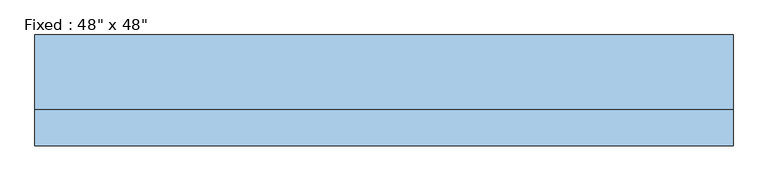
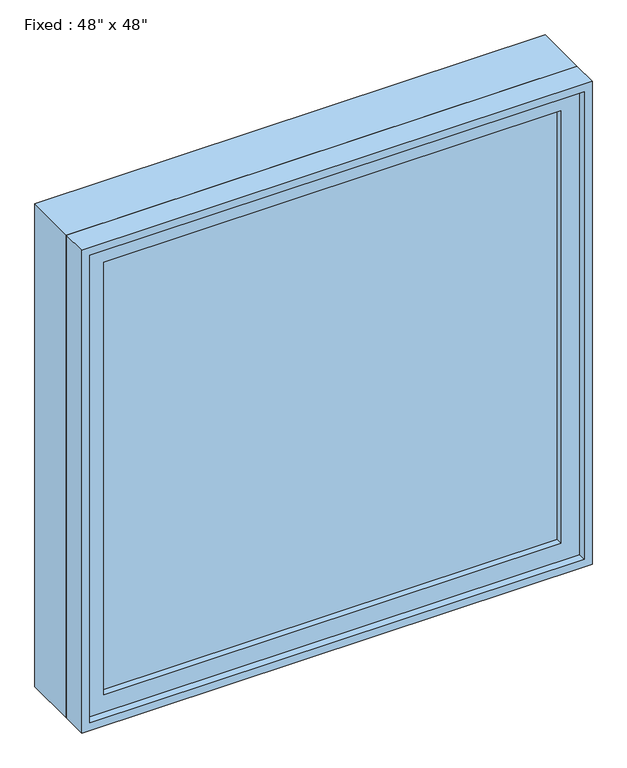
"""IFC4 building model written with IfcOpenShell, lengths in millimetres: window geometry."""

import ifcopenshell
import ifcopenshell.guid

model = None  # the IFC model being written
_history = None  # IfcOwnerHistory: only IFC2X3 demands one
_inside = {}  # id of a spatial element -> (the spatial element, [elements in it])
_under = {}  # id of a project, library or spatial element -> (it, [spatial elements below it])
_declared = {}  # id of a project -> (the project, [libraries it declares])
_typed = {}  # id of a type object -> (the type object, [elements of that type])
_made_of = {}  # id of a material, layer set ... -> (it, [elements and type objects made of it])


def new_model(schema):
    """Start an empty IFC model of exactly this schema.

    Asked for "IFC4X3", IfcOpenShell would pick the latest addendum, in which some entities
    have other attributes; the version numbers below select the first issue.
    IFC2X3 requires an IfcOwnerHistory on every rooted entity: one is made here for all.
    """
    global model, _history
    if schema == "IFC4X3":
        model = ifcopenshell.file(schema_version=(4, 3, 0, 0))
    else:
        model = ifcopenshell.file(schema=schema)
    _inside.clear()
    _under.clear()
    _declared.clear()
    _typed.clear()
    _made_of.clear()
    _history = None
    if model.schema == "IFC2X3":
        org = make("IfcOrganization", Name="unknown")
        user = make(
            "IfcPersonAndOrganization",
            ThePerson=make("IfcPerson", FamilyName="unknown"),
            TheOrganization=org,
        )
        app = make(
            "IfcApplication",
            ApplicationDeveloper=org,
            Version="unknown",
            ApplicationFullName="unknown",
            ApplicationIdentifier="unknown",
        )
        _history = make(
            "IfcOwnerHistory",
            OwningUser=user,
            OwningApplication=app,
            ChangeAction="ADDED",
            CreationDate=0,
        )
    return model


def make(cls, **values):
    """One entity of the class cls with the attributes given. An attribute that is None is left unset."""
    return model.create_entity(
        cls, **{name: value for name, value in values.items() if value is not None}
    )


def rooted(cls, **values):
    """An entity with a GlobalId (a new one), such as an element, a storey or a relation."""
    return make(cls, GlobalId=ifcopenshell.guid.new(), OwnerHistory=_history, **values)


def si_unit(unit_type, name, prefix=None):
    """IfcSIUnit, for example si_unit("LENGTHUNIT", "METRE", prefix="MILLI")."""
    return make("IfcSIUnit", UnitType=unit_type, Prefix=prefix, Name=name)


def assignment(units):
    """IfcUnitAssignment: the units of a project."""
    return None if units is None else make("IfcUnitAssignment", Units=units)


def point(xyz):
    """IfcCartesianPoint."""
    return None if xyz is None else make("IfcCartesianPoint", Coordinates=xyz)


def direction(xyz):
    """IfcDirection."""
    return None if xyz is None else make("IfcDirection", DirectionRatios=xyz)


def frame(location, z_axis=None, x_axis=None):
    """IfcAxis2Placement3D, a coordinate frame: its origin and axes. An axis left out is left unset."""
    return make(
        "IfcAxis2Placement3D",
        Location=point(location),
        Axis=direction(z_axis),
        RefDirection=direction(x_axis),
    )


def origin():
    """The frame at (0, 0, 0) with its axes left unset."""
    return frame((0.0, 0.0, 0.0))


def place(relative_to, where):
    """IfcLocalPlacement: puts the frame where relative to a parent placement (None: the world)."""
    return make(
        "IfcLocalPlacement", PlacementRelTo=relative_to, RelativePlacement=where
    )


def context(
    kind, dimensions, precision=None, world=None, true_north=None, identifier=None
):
    """IfcGeometricRepresentationContext, for example the 3D "Model" context."""
    return make(
        "IfcGeometricRepresentationContext",
        ContextIdentifier=identifier,
        ContextType=kind,
        CoordinateSpaceDimension=dimensions,
        Precision=precision,
        WorldCoordinateSystem=world,
        TrueNorth=true_north,
    )


def project(units=None, contexts=None):
    """IfcProject with its units and contexts."""
    return rooted(
        "IfcProject",
        Name="project",
        RepresentationContexts=contexts,
        UnitsInContext=assignment(units),
    )


def spatial(cls, under=None, at=None, **own):
    """A site, building, storey or space (cls), placed at a placement, below another one or the project."""
    s = rooted(cls, ObjectPlacement=at, **own)
    if under is not None:
        _under.setdefault(under.id(), (under, []))[1].append(s)
    return s


def polyline(points):
    """IfcPolyline through the points."""
    return make("IfcPolyline", Points=[point(p) for p in points])


def outline(outer, holes=None, kind="AREA"):
    """IfcArbitraryClosedProfileDef: a profile drawn as a closed curve; with holes, ...WithVoids."""
    if holes is None:
        return make("IfcArbitraryClosedProfileDef", ProfileType=kind, OuterCurve=outer)
    return make(
        "IfcArbitraryProfileDefWithVoids",
        ProfileType=kind,
        OuterCurve=outer,
        InnerCurves=holes,
    )


def extrude(swept, where, along, depth):
    """IfcExtrudedAreaSolid: the profile swept, set in the frame where, extruded along a direction by depth."""
    return make(
        "IfcExtrudedAreaSolid",
        SweptArea=swept,
        Position=where,
        ExtrudedDirection=direction(along),
        Depth=depth,
    )


def shape(context_of_items, identifier, shape_type, items):
    """IfcShapeRepresentation: the items that make up one representation, for example the "Body"."""
    return make(
        "IfcShapeRepresentation",
        ContextOfItems=context_of_items,
        RepresentationIdentifier=identifier,
        RepresentationType=shape_type,
        Items=items,
    )


def source(mapping_origin, context_of_items, identifier, shape_type, items):
    """IfcRepresentationMap: a shape defined once, which mapped items show again and again."""
    return make(
        "IfcRepresentationMap",
        MappingOrigin=mapping_origin,
        MappedRepresentation=shape(context_of_items, identifier, shape_type, items),
    )


def transform(
    local_origin,
    x_axis=None,
    y_axis=None,
    z_axis=None,
    scale=None,
    scale2=None,
    scale3=None,
    uniform=True,
):
    """IfcCartesianTransformationOperator3D, or its non-uniform kind. x_axis, y_axis, z_axis: its Axis1, 2, 3."""
    if uniform:
        return make(
            "IfcCartesianTransformationOperator3D",
            Axis1=direction(x_axis),
            Axis2=direction(y_axis),
            LocalOrigin=point(local_origin),
            Scale=scale,
            Axis3=direction(z_axis),
        )
    return make(
        "IfcCartesianTransformationOperator3DnonUniform",
        Axis1=direction(x_axis),
        Axis2=direction(y_axis),
        LocalOrigin=point(local_origin),
        Scale=scale,
        Axis3=direction(z_axis),
        Scale2=scale2,
        Scale3=scale3,
    )


def mapped(mapping_source, mapping_target):
    """IfcMappedItem: shows the shape of a source again, moved by a transform."""
    return make(
        "IfcMappedItem", MappingSource=mapping_source, MappingTarget=mapping_target
    )


def made_of(thing, what):
    """Note that an element or type object is made of a material, layer set ...; save() writes the relation."""
    if what is not None:
        _made_of.setdefault(what.id(), (what, []))[1].append(thing)
    return thing


def element(
    cls,
    number,
    at=None,
    inside=None,
    cuts=None,
    type_object=None,
    material=None,
    context=None,
    identifier="Body",
    shape_type=None,
    held_by="IfcProductDefinitionShape",
    body=None,
    shapes=None,
    **own,
):
    """One element of the class cls, such as IfcWall. Its Tag is "e" and its number.

    at: its placement. inside: the storey or other place that contains it. cuts: it is an
    opening in that element (IfcRelVoidsElement). A single representation is given by context,
    identifier, shape_type and body (its items); several are given by shapes. held_by: the class
    of the entity that holds the representations. save() writes the other relations.
    """
    e = rooted(cls, Tag="e%d" % number, ObjectPlacement=at, **own)
    if body is not None:
        shapes = [shape(context, identifier, shape_type, body)]
    if shapes is not None:
        e.Representation = make(held_by, Representations=shapes)
    if inside is not None:
        _inside.setdefault(inside.id(), (inside, []))[1].append(e)
    if cuts is not None:
        rooted(
            "IfcRelVoidsElement", RelatingBuildingElement=cuts, RelatedOpeningElement=e
        )
    if type_object is not None:
        _typed.setdefault(type_object.id(), (type_object, []))[1].append(e)
    return made_of(e, material)


def aggregate(whole, parts):
    """IfcRelAggregates: a whole, such as a stair, and the parts it consists of."""
    return rooted("IfcRelAggregates", RelatingObject=whole, RelatedObjects=parts)


def save(model, path):
    """Write the relations noted so far, then the file.

    IfcRelAggregates (storeys below a building ...), IfcRelContainedInSpatialStructure (elements
    in a storey), IfcRelDefinesByType, IfcRelAssociatesMaterial and IfcRelDeclares: one each for
    every whole, place, type object, material and project.
    """
    for whole, parts in _under.values():
        aggregate(whole, parts)
    for where, things in _inside.values():
        rooted(
            "IfcRelContainedInSpatialStructure",
            RelatedElements=things,
            RelatingStructure=where,
        )
    for kind, things in _typed.values():
        rooted("IfcRelDefinesByType", RelatedObjects=things, RelatingType=kind)
    for what, things in _made_of.values():
        rooted("IfcRelAssociatesMaterial", RelatedObjects=things, RelatingMaterial=what)
    for by, libraries in _declared.values():
        rooted("IfcRelDeclares", RelatingContext=by, RelatedDefinitions=libraries)
    model.write(path)


def window_465581eb(model_context):
    return source(origin(), model_context, "Body", "SweptSolid", [
        extrude(outline(polyline([(508.0, -49.2125), (508.0, -61.9125), (-584.2, -61.9125), (-584.2, -49.2125), (508.0, -49.2125)])), frame((0.0, 0.0, 977.9), z_axis=(0.0, 0.0, 1.0), x_axis=(1.0, 0.0, 0.0)), (0.0, 0.0, 1.0), 1092.2),
        extrude(outline(polyline([(2114.55, -628.65), (933.45, -628.65), (933.45, 552.45), (2114.55, 552.45), (2114.55, -628.65)]), holes=[polyline([(2070.1, -584.2), (2070.1, 508.0), (977.9, 508.0), (977.9, -584.2), (2070.1, -584.2)])]), frame((0.0, -77.7875, 0.0), z_axis=(0.0, 1.0, 0.0), x_axis=(0.0, 0.0, 1.0)), (0.0, 0.0, 1.0), 44.45),
        extrude(outline(polyline([(2133.6, -647.7), (914.4, -647.7), (914.4, 571.5), (2133.6, 571.5), (2133.6, -647.7)]), holes=[polyline([(2101.85, -615.95), (2101.85, 539.75), (946.15, 539.75), (946.15, -615.95), (2101.85, -615.95)])]), frame((0.0, -33.3375, 0.0), z_axis=(0.0, 1.0, 0.0), x_axis=(0.0, 0.0, 1.0)), (0.0, 0.0, 1.0), 130.175),
        extrude(outline(polyline([(2133.6, 571.5), (2133.6, -647.7), (914.4, -647.7), (914.4, 571.5), (2133.6, 571.5)]), holes=[polyline([(2114.55, 552.45), (933.45, 552.45), (933.45, -628.65), (2114.55, -628.65), (2114.55, 552.45)])]), frame((0.0, -96.8375, 0.0), z_axis=(0.0, 1.0, 0.0), x_axis=(0.0, 0.0, 1.0)), (0.0, 0.0, 1.0), 63.5),
    ])


if __name__ == "__main__":
    model = new_model("IFC4")
    model_context = context("Model", 3, world=origin())
    ifc_project = project(units=[si_unit("LENGTHUNIT", "METRE", prefix="MILLI")], contexts=[model_context])
    site = spatial("IfcSite", under=ifc_project)
    building = spatial("IfcBuilding", under=site)
    placement = place(None, origin())
    window_shape = window_465581eb(model_context)
    element("IfcWindow", 1, ObjectType="Fixed : 48\" x 48\"", at=placement, inside=building, context=model_context, shape_type="MappedRepresentation", body=[
        mapped(window_shape, transform((0.0, 0.0, 0.0), x_axis=(1.0, 0.0, 0.0), y_axis=(0.0, 1.0, 0.0), z_axis=(0.0, 0.0, 1.0))),
    ])
    save(model, "model.ifc")
